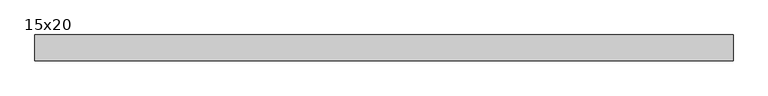
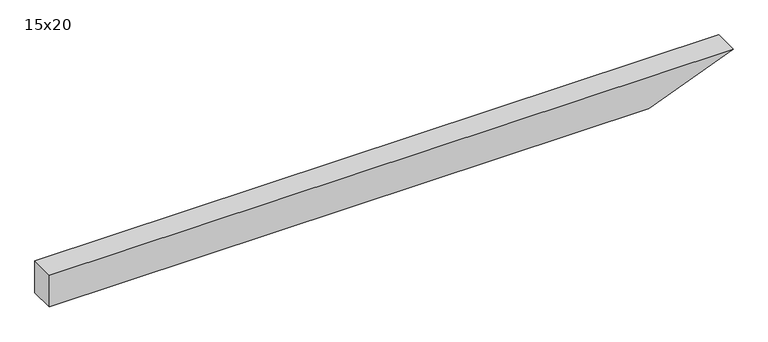
"""IFC4 building model written with IfcOpenShell, lengths in millimetres: beam geometry, 15x20."""

import ifcopenshell
import ifcopenshell.guid

model = None  # the IFC model being written
_history = None  # IfcOwnerHistory: only IFC2X3 demands one
_inside = {}  # id of a spatial element -> (the spatial element, [elements in it])
_under = {}  # id of a project, library or spatial element -> (it, [spatial elements below it])
_declared = {}  # id of a project -> (the project, [libraries it declares])
_typed = {}  # id of a type object -> (the type object, [elements of that type])
_made_of = {}  # id of a material, layer set ... -> (it, [elements and type objects made of it])


def new_model(schema):
    """Start an empty IFC model of exactly this schema.

    Asked for "IFC4X3", IfcOpenShell would pick the latest addendum, in which some entities
    have other attributes; the version numbers below select the first issue.
    IFC2X3 requires an IfcOwnerHistory on every rooted entity: one is made here for all.
    """
    global model, _history
    if schema == "IFC4X3":
        model = ifcopenshell.file(schema_version=(4, 3, 0, 0))
    else:
        model = ifcopenshell.file(schema=schema)
    _inside.clear()
    _under.clear()
    _declared.clear()
    _typed.clear()
    _made_of.clear()
    _history = None
    if model.schema == "IFC2X3":
        org = make("IfcOrganization", Name="unknown")
        user = make(
            "IfcPersonAndOrganization",
            ThePerson=make("IfcPerson", FamilyName="unknown"),
            TheOrganization=org,
        )
        app = make(
            "IfcApplication",
            ApplicationDeveloper=org,
            Version="unknown",
            ApplicationFullName="unknown",
            ApplicationIdentifier="unknown",
        )
        _history = make(
            "IfcOwnerHistory",
            OwningUser=user,
            OwningApplication=app,
            ChangeAction="ADDED",
            CreationDate=0,
        )
    return model


def make(cls, **values):
    """One entity of the class cls with the attributes given. An attribute that is None is left unset."""
    return model.create_entity(
        cls, **{name: value for name, value in values.items() if value is not None}
    )


def rooted(cls, **values):
    """An entity with a GlobalId (a new one), such as an element, a storey or a relation."""
    return make(cls, GlobalId=ifcopenshell.guid.new(), OwnerHistory=_history, **values)


def si_unit(unit_type, name, prefix=None):
    """IfcSIUnit, for example si_unit("LENGTHUNIT", "METRE", prefix="MILLI")."""
    return make("IfcSIUnit", UnitType=unit_type, Prefix=prefix, Name=name)


def assignment(units):
    """IfcUnitAssignment: the units of a project."""
    return None if units is None else make("IfcUnitAssignment", Units=units)


def point(xyz):
    """IfcCartesianPoint."""
    return None if xyz is None else make("IfcCartesianPoint", Coordinates=xyz)


def direction(xyz):
    """IfcDirection."""
    return None if xyz is None else make("IfcDirection", DirectionRatios=xyz)


def frame(location, z_axis=None, x_axis=None):
    """IfcAxis2Placement3D, a coordinate frame: its origin and axes. An axis left out is left unset."""
    return make(
        "IfcAxis2Placement3D",
        Location=point(location),
        Axis=direction(z_axis),
        RefDirection=direction(x_axis),
    )


def origin():
    """The frame at (0, 0, 0) with its axes left unset."""
    return frame((0.0, 0.0, 0.0))


def place(relative_to, where):
    """IfcLocalPlacement: puts the frame where relative to a parent placement (None: the world)."""
    return make(
        "IfcLocalPlacement", PlacementRelTo=relative_to, RelativePlacement=where
    )


def context(
    kind, dimensions, precision=None, world=None, true_north=None, identifier=None
):
    """IfcGeometricRepresentationContext, for example the 3D "Model" context."""
    return make(
        "IfcGeometricRepresentationContext",
        ContextIdentifier=identifier,
        ContextType=kind,
        CoordinateSpaceDimension=dimensions,
        Precision=precision,
        WorldCoordinateSystem=world,
        TrueNorth=true_north,
    )


def project(units=None, contexts=None):
    """IfcProject with its units and contexts."""
    return rooted(
        "IfcProject",
        Name="project",
        RepresentationContexts=contexts,
        UnitsInContext=assignment(units),
    )


def spatial(cls, under=None, at=None, **own):
    """A site, building, storey or space (cls), placed at a placement, below another one or the project."""
    s = rooted(cls, ObjectPlacement=at, **own)
    if under is not None:
        _under.setdefault(under.id(), (under, []))[1].append(s)
    return s


def polyline(points):
    """IfcPolyline through the points."""
    return make("IfcPolyline", Points=[point(p) for p in points])


def outline(outer, holes=None, kind="AREA"):
    """IfcArbitraryClosedProfileDef: a profile drawn as a closed curve; with holes, ...WithVoids."""
    if holes is None:
        return make("IfcArbitraryClosedProfileDef", ProfileType=kind, OuterCurve=outer)
    return make(
        "IfcArbitraryProfileDefWithVoids",
        ProfileType=kind,
        OuterCurve=outer,
        InnerCurves=holes,
    )


def extrude(swept, where, along, depth):
    """IfcExtrudedAreaSolid: the profile swept, set in the frame where, extruded along a direction by depth."""
    return make(
        "IfcExtrudedAreaSolid",
        SweptArea=swept,
        Position=where,
        ExtrudedDirection=direction(along),
        Depth=depth,
    )


def shape(context_of_items, identifier, shape_type, items):
    """IfcShapeRepresentation: the items that make up one representation, for example the "Body"."""
    return make(
        "IfcShapeRepresentation",
        ContextOfItems=context_of_items,
        RepresentationIdentifier=identifier,
        RepresentationType=shape_type,
        Items=items,
    )


def source(mapping_origin, context_of_items, identifier, shape_type, items):
    """IfcRepresentationMap: a shape defined once, which mapped items show again and again."""
    return make(
        "IfcRepresentationMap",
        MappingOrigin=mapping_origin,
        MappedRepresentation=shape(context_of_items, identifier, shape_type, items),
    )


def transform(
    local_origin,
    x_axis=None,
    y_axis=None,
    z_axis=None,
    scale=None,
    scale2=None,
    scale3=None,
    uniform=True,
):
    """IfcCartesianTransformationOperator3D, or its non-uniform kind. x_axis, y_axis, z_axis: its Axis1, 2, 3."""
    if uniform:
        return make(
            "IfcCartesianTransformationOperator3D",
            Axis1=direction(x_axis),
            Axis2=direction(y_axis),
            LocalOrigin=point(local_origin),
            Scale=scale,
            Axis3=direction(z_axis),
        )
    return make(
        "IfcCartesianTransformationOperator3DnonUniform",
        Axis1=direction(x_axis),
        Axis2=direction(y_axis),
        LocalOrigin=point(local_origin),
        Scale=scale,
        Axis3=direction(z_axis),
        Scale2=scale2,
        Scale3=scale3,
    )


def mapped(mapping_source, mapping_target):
    """IfcMappedItem: shows the shape of a source again, moved by a transform."""
    return make(
        "IfcMappedItem", MappingSource=mapping_source, MappingTarget=mapping_target
    )


def made_of(thing, what):
    """Note that an element or type object is made of a material, layer set ...; save() writes the relation."""
    if what is not None:
        _made_of.setdefault(what.id(), (what, []))[1].append(thing)
    return thing


def element(
    cls,
    number,
    at=None,
    inside=None,
    cuts=None,
    type_object=None,
    material=None,
    context=None,
    identifier="Body",
    shape_type=None,
    held_by="IfcProductDefinitionShape",
    body=None,
    shapes=None,
    **own,
):
    """One element of the class cls, such as IfcWall. Its Tag is "e" and its number.

    at: its placement. inside: the storey or other place that contains it. cuts: it is an
    opening in that element (IfcRelVoidsElement). A single representation is given by context,
    identifier, shape_type and body (its items); several are given by shapes. held_by: the class
    of the entity that holds the representations. save() writes the other relations.
    """
    e = rooted(cls, Tag="e%d" % number, ObjectPlacement=at, **own)
    if body is not None:
        shapes = [shape(context, identifier, shape_type, body)]
    if shapes is not None:
        e.Representation = make(held_by, Representations=shapes)
    if inside is not None:
        _inside.setdefault(inside.id(), (inside, []))[1].append(e)
    if cuts is not None:
        rooted(
            "IfcRelVoidsElement", RelatingBuildingElement=cuts, RelatedOpeningElement=e
        )
    if type_object is not None:
        _typed.setdefault(type_object.id(), (type_object, []))[1].append(e)
    return made_of(e, material)


def aggregate(whole, parts):
    """IfcRelAggregates: a whole, such as a stair, and the parts it consists of."""
    return rooted("IfcRelAggregates", RelatingObject=whole, RelatedObjects=parts)


def save(model, path):
    """Write the relations noted so far, then the file.

    IfcRelAggregates (storeys below a building ...), IfcRelContainedInSpatialStructure (elements
    in a storey), IfcRelDefinesByType, IfcRelAssociatesMaterial and IfcRelDeclares: one each for
    every whole, place, type object, material and project.
    """
    for whole, parts in _under.values():
        aggregate(whole, parts)
    for where, things in _inside.values():
        rooted(
            "IfcRelContainedInSpatialStructure",
            RelatedElements=things,
            RelatingStructure=where,
        )
    for kind, things in _typed.values():
        rooted("IfcRelDefinesByType", RelatedObjects=things, RelatingType=kind)
    for what, things in _made_of.values():
        rooted("IfcRelAssociatesMaterial", RelatedObjects=things, RelatingMaterial=what)
    for by, libraries in _declared.values():
        rooted("IfcRelDeclares", RelatingContext=by, RelatedDefinitions=libraries)
    model.write(path)


def beam_15x20_ceb51223(model_context):
    return source(origin(), model_context, "Body", "SweptSolid", [
        extrude(outline(polyline([(100.0, -1915.5), (-100.0, -1915.5), (-100.0, 1658.3), (100.0, 2160.5), (100.0, -1915.5)])), frame((0.0, -75.0, 0.0), z_axis=(0.0, 1.0, 0.0), x_axis=(0.0, 0.0, 1.0)), (0.0, 0.0, 1.0), 150.0),
    ])


if __name__ == "__main__":
    model = new_model("IFC4")
    model_context = context("Model", 3, world=origin())
    ifc_project = project(units=[si_unit("LENGTHUNIT", "METRE", prefix="MILLI")], contexts=[model_context])
    site = spatial("IfcSite", under=ifc_project)
    building = spatial("IfcBuilding", under=site)
    placement = place(None, origin())
    beam_15x20_shape = beam_15x20_ceb51223(model_context)
    element("IfcBeam", 1, ObjectType="15x20", at=placement, inside=building, context=model_context, shape_type="MappedRepresentation", body=[
        mapped(beam_15x20_shape, transform((0.0, 0.0, 0.0), x_axis=(1.0, 0.0, 0.0), y_axis=(0.0, 1.0, 0.0), z_axis=(0.0, 0.0, 1.0))),
    ])
    save(model, "model.ifc")
